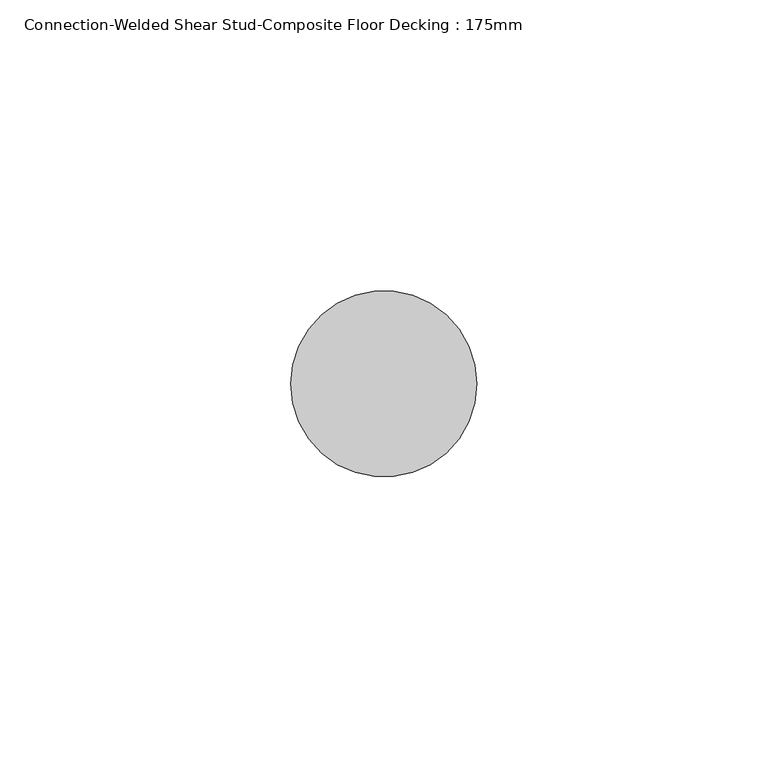
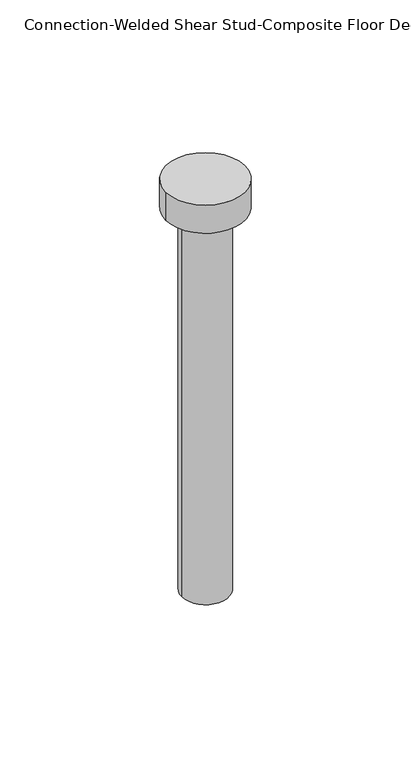
"""IFC4 building model written with IfcOpenShell, lengths in millimetres: fastener geometry, Connection-Welded Shear Stud-Composite Floor Decking : 175mm."""

from ifc_helpers import new_model, si_unit, point, frame, origin, origin_with_axes, origin_2d, place, context, project, spatial, circle_curve, trimmed, segment, composite_curve, outline, extrude, source, transform, mapped, element, save


def connection_welded_shear_stud_composite_floor_decking_175mm_6acd7c40(model_context):
    return source(origin(), model_context, "Body", "SweptSolid", [
        extrude(outline(composite_curve([segment(trimmed(circle_curve(origin_2d(), 16.0), [point((16.0, 0.0))], [point((-16.0, 0.0))], False, "CARTESIAN"), True, "CONTINUOUS"), segment(trimmed(circle_curve(origin_2d(), 16.0), [point((-16.0, 0.0))], [point((16.0, 0.0))], False, "CARTESIAN"), True, "CONTINUOUS")], self_intersect=False)), frame((0.0, 0.0, 163.0), z_axis=(0.0, 0.0, 1.0), x_axis=(1.0, 0.0, 0.0)), (0.0, 0.0, 1.0), 12.0),
        extrude(outline(composite_curve([segment(trimmed(circle_curve(origin_2d(), 9.5), [point((-9.5, 0.0))], [point((9.5, 0.0))], False, "CARTESIAN"), True, "CONTINUOUS"), segment(trimmed(circle_curve(origin_2d(), 9.5), [point((9.5, 0.0))], [point((-9.5, 0.0))], False, "CARTESIAN"), True, "CONTINUOUS")], self_intersect=False)), origin_with_axes(), (0.0, 0.0, 1.0), 163.0),
    ])


if __name__ == "__main__":
    model = new_model("IFC4")
    model_context = context("Model", 3, world=origin())
    ifc_project = project(units=[si_unit("LENGTHUNIT", "METRE", prefix="MILLI")], contexts=[model_context])
    site = spatial("IfcSite", under=ifc_project)
    building = spatial("IfcBuilding", under=site)
    placement = place(None, origin())
    connection_welded_shear_stud_composite_floor_decking_175mm_shape = connection_welded_shear_stud_composite_floor_decking_175mm_6acd7c40(model_context)
    element("IfcFastener", 1, ObjectType="Connection-Welded Shear Stud-Composite Floor Decking : 175mm", at=placement, inside=building, context=model_context, shape_type="MappedRepresentation", body=[
        mapped(connection_welded_shear_stud_composite_floor_decking_175mm_shape, transform((0.0, 0.0, 0.0), x_axis=(1.0, 0.0, 0.0), y_axis=(0.0, 1.0, 0.0), z_axis=(0.0, 0.0, 1.0))),
    ])
    save(model, "model.ifc")
